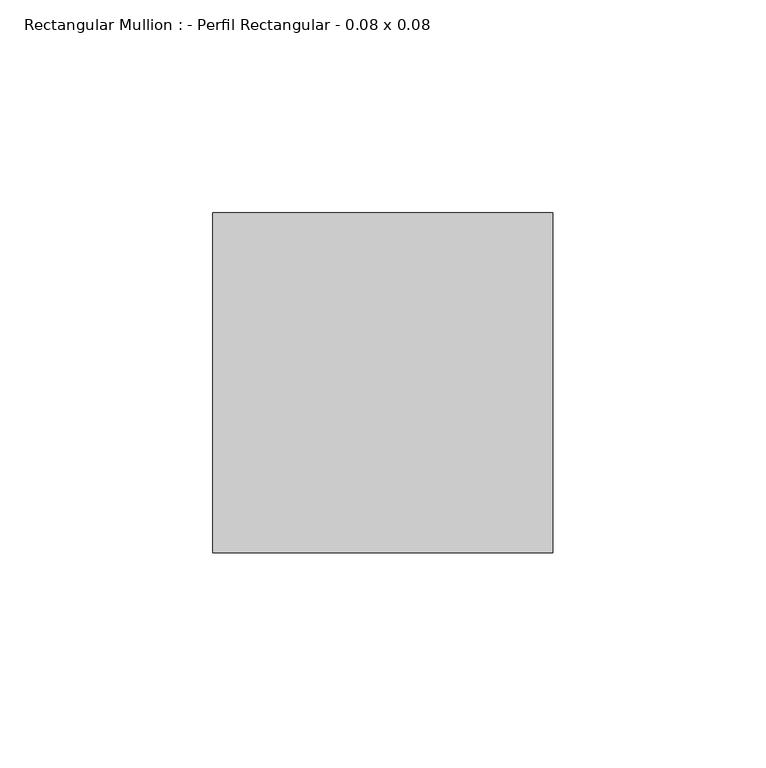
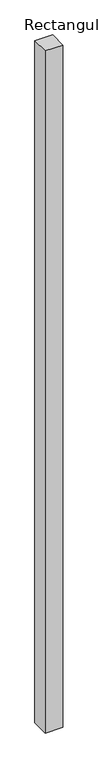
"""IFC4 building model written with IfcOpenShell, lengths in millimetres: member geometry, Rectangular Mullion : - Perfil Rectangular - 0.08 x 0.08."""

from ifc_helpers import new_model, si_unit, frame, origin, place, context, project, spatial, polyline, outline, extrude, source, transform, mapped, element, save


def rectangular_mullion_perfil_rectangular_0_08_x_0_08_b993c5d9(model_context):
    return source(origin(), model_context, "Body", "SweptSolid", [
        extrude(outline(polyline([(-80.0, 80.0), (0.0, 80.0), (0.0, 0.0), (-80.0, 0.0), (-80.0, 80.0)])), frame((0.0, 0.0, -3270.0), z_axis=(0.0, 0.0, 1.0), x_axis=(1.0, 0.0, 0.0)), (0.0, 0.0, 1.0), 3270.0),
    ])


if __name__ == "__main__":
    model = new_model("IFC4")
    model_context = context("Model", 3, world=origin())
    ifc_project = project(units=[si_unit("LENGTHUNIT", "METRE", prefix="MILLI")], contexts=[model_context])
    site = spatial("IfcSite", under=ifc_project)
    building = spatial("IfcBuilding", under=site)
    placement = place(None, origin())
    rectangular_mullion_perfil_rectangular_0_08_x_0_08_shape = rectangular_mullion_perfil_rectangular_0_08_x_0_08_b993c5d9(model_context)
    element("IfcMember", 1, ObjectType="Rectangular Mullion : - Perfil Rectangular - 0.08 x 0.08", at=placement, inside=building, context=model_context, shape_type="MappedRepresentation", body=[
        mapped(rectangular_mullion_perfil_rectangular_0_08_x_0_08_shape, transform((0.0, 0.0, 0.0), x_axis=(1.0, 0.0, 0.0), y_axis=(0.0, 1.0, 0.0), z_axis=(0.0, 0.0, 1.0))),
    ])
    save(model, "model.ifc")
